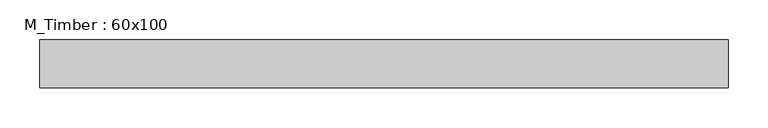
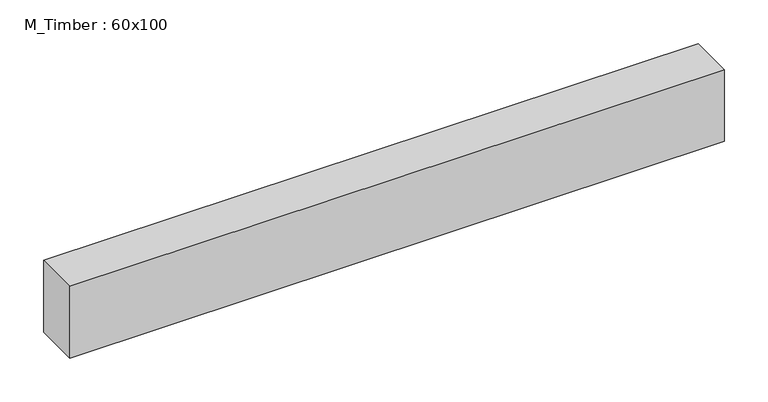
"""IFC4 building model written with IfcOpenShell, lengths in millimetres: beam geometry, M_Timber : 60x100."""

from ifc_helpers import new_model, si_unit, frame, origin, place, context, project, spatial, polyline, outline, extrude, source, transform, mapped, element, save


def m_timber_60x100_1812e286(model_context):
    return source(origin(), model_context, "Body", "SweptSolid", [
        extrude(outline(polyline([(434.6361052, 30.0), (434.6361052, -30.0), (-428.9328227, -30.0), (-428.9328227, 30.0), (434.6361052, 30.0)])), frame((0.0, 0.0, -50.0), z_axis=(0.0, 0.0, 1.0), x_axis=(1.0, 0.0, 0.0)), (0.0, 0.0, 1.0), 100.0),
    ])


if __name__ == "__main__":
    model = new_model("IFC4")
    model_context = context("Model", 3, world=origin())
    ifc_project = project(units=[si_unit("LENGTHUNIT", "METRE", prefix="MILLI")], contexts=[model_context])
    site = spatial("IfcSite", under=ifc_project)
    building = spatial("IfcBuilding", under=site)
    placement = place(None, origin())
    m_timber_60x100_shape = m_timber_60x100_1812e286(model_context)
    element("IfcBeam", 1, ObjectType="M_Timber : 60x100", at=placement, inside=building, context=model_context, shape_type="MappedRepresentation", body=[
        mapped(m_timber_60x100_shape, transform((0.0, 0.0, 0.0), x_axis=(1.0, 0.0, 0.0), y_axis=(0.0, 1.0, 0.0), z_axis=(0.0, 0.0, 1.0))),
    ])
    save(model, "model.ifc")
